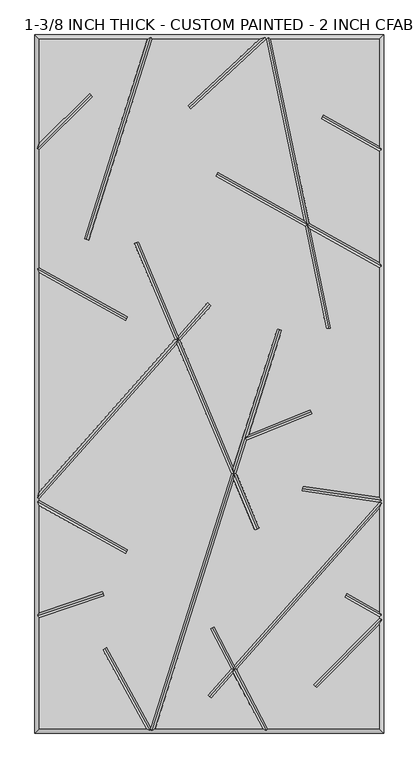
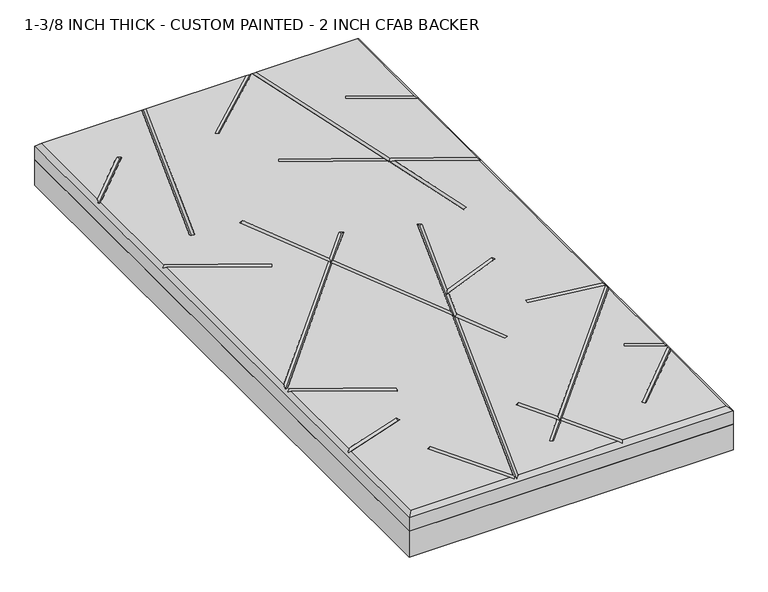
"""IFC4 building model written with IfcOpenShell, lengths in millimetres: proxy geometry, 1-3/8 INCH THICK - CUSTOM PAINTED - 2 INCH CFAB BACKER."""

from ifc_helpers import new_model, si_unit, frame, origin, place, context, project, spatial, polyline, outline, extrude, faceted_brep, source, transform, mapped, element, save


def proxy_1_3_8_inch_thick_custom_painted_2_inch_cfab_backer_8b00ea57(model_context):
    return source(origin(), model_context, "Body", "SolidModel", [
        extrude(outline(polyline([(-304.8, 609.6), (304.8, 609.6), (304.8, -609.6), (-304.8, -609.6), (-304.8, 609.6)])), frame((0.0, 0.0, -50.8), z_axis=(0.0, 0.0, 1.0), x_axis=(1.0, 0.0, 0.0)), (0.0, 0.0, 1.0), 50.8),
        faceted_brep([(-296.799, 601.599, 34.925), (-296.799, 420.0585614, 34.925), (-209.465267, 507.3922944, 34.925), (-203.8077056, 501.734733, 34.925), (-296.799, 408.7434386, 34.925), (-296.799, 203.3118869, 34.925), (-142.5916835, 117.1439143, 34.925), (-146.4945108, 110.1593642, 34.925), (-296.799, 194.1465147, 34.925), (-296.799, -188.1783655, 34.925), (-60.414797, 77.7314881, 34.925), (-130.9100687, 245.4965414, 34.925), (-123.5338229, 248.5960573, 34.925), (-54.5217155, 84.360647, 34.925), (-2.9898999, 142.3290618, 34.925), (2.9898999, 137.0132369, 34.925), (-51.0856167, 76.1833992, 34.925), (41.8198404, -144.9135422, 34.925), (118.4676512, 96.3670459, 34.925), (126.0931354, 93.9446518, 34.925), (68.2308495, -88.200751, 34.925), (176.389257, -44.7967941, 34.925), (179.3690728, -52.2222031, 34.925), (65.0919979, -98.0815805, 34.925), (46.6006106, -156.2908465, 34.925), (86.8913986, -252.1750957, 34.925), (79.5151528, -255.2746116, 34.925), (42.86425, -168.0525821, 34.925), (-94.8608114, -601.599, 34.925), (92.8718763, -601.599, 34.925), (41.9909547, -504.8565668, 34.925), (2.9898999, -548.7290618, 34.925), (-2.9898999, -543.4132369, 34.925), (38.011603, -497.2904271, 34.925), (1.2803392, -427.4514438, 34.925), (8.3616601, -423.7270787, 34.925), (43.691373, -490.9012234, 34.925), (296.799, -206.1791008, 34.925), (161.5180376, -186.5574472, 34.925), (162.66123, -178.6385386, 34.925), (296.799, -198.0029854, 34.925), (296.799, 203.0881131, 34.925), (176.1280645, 270.5166249, 34.925), (212.0312358, 97.6915725, 34.925), (204.1974911, 96.064168, 34.925), (166.8830535, 275.6825527, 34.925), (10.5996532, 363.0105994, 34.925), (14.5024805, 369.9951496, 34.925), (164.7289602, 286.0515892, 34.925), (99.1762375, 601.599, 34.925), (98.8402099, 601.599, 34.925), (-32.7718055, 479.8900914, 34.925), (-38.2040457, 485.7643375, 34.925), (87.055753, 601.599, 34.925), (-99.9441805, 601.599, 34.925), (-211.1838045, 251.4264167, 34.925), (-218.8092886, 253.8488108, 34.925), (-108.3391886, 601.599, 34.925), (101.9119977, -601.599, 34.925), (296.799, -601.599, 34.925), (296.799, -420.1587392, 34.925), (187.3700731, -530.5992999, 34.925), (181.6865411, -524.967829, 34.925), (296.799, -408.7911939, 34.925), (296.799, -406.5118869, 34.925), (236.129826, -372.6111626, 34.925), (240.0326533, -365.6266125, 34.925), (296.799, -397.3465147, 34.925), (296.799, -218.2216345, 34.925), (47.6707247, -498.4673632, 34.925), (173.9739712, 280.8856615, 34.925), (296.799, 212.2534853, 34.925), (296.799, 406.2881131, 34.925), (194.792886, 463.287095, 34.925), (198.6957133, 470.2716451, 34.925), (296.799, 415.4534853, 34.925), (296.799, 601.599, 34.925), (107.3480638, 601.599, 34.925), (38.0834798, -156.6752779, 34.925), (-56.9786982, 69.5542403, 34.925), (-296.799, -200.2208992, 34.925), (-296.799, -203.0881131, 34.925), (-142.5916835, -289.2560857, 34.925), (-146.4945108, -296.2406358, 34.925), (-296.799, -212.2534853, 34.925), (-296.799, -399.4880331, 34.925), (-186.4041101, -362.3555047, 34.925), (-183.8533173, -369.9390037, 34.925), (-296.799, -407.9295192, 34.925), (-296.799, -601.599, 34.925), (-110.5588891, -601.599, 34.925), (-186.2344077, -463.8225395, 34.925), (-179.2216231, -459.970676, 34.925), (-102.5869372, -599.4934169, 34.925), (-304.8, 609.6, 0.0), (304.8, 609.6, 0.0), (304.8, -609.6, 0.0), (-304.8, -609.6, 0.0), (-304.8, -609.6, 26.924), (-304.8, 609.6, 26.924), (304.8, -609.6, 26.924), (304.8, 609.6, 26.924), (-102.8708423, 605.5995, 30.9245), (97.2739907, 605.5995, 30.9245), (102.4310753, 605.5995, 30.9245), (-300.7995, -405.0543881, 30.9245), (-300.7995, -205.4353996, 30.9245), (-300.7995, -198.6998162, 30.9245), (-300.7995, 200.9646004, 30.9245), (-300.7995, 410.4005, 30.9245), (99.4959685, -605.5995, 30.9245), (-100.3291577, -605.5995, 30.9245), (-102.246608, -602.9785071, 33.5454929), (-103.7973268, -605.5995, 30.9245), (300.7995, 408.6353996, 30.9245), (300.7995, 205.4353996, 30.9245), (300.7995, -202.6224783, 30.9245), (300.7995, -207.7001838, 30.9245), (300.7995, -404.1646004, 30.9245), (300.7995, -410.4374833, 30.9245), (-206.6364863, 504.5635137, 30.9245), (-214.9965466, 252.6376137, 30.9245), (-144.5430971, 113.6516392, 30.9245), (12.5510669, 366.5028745, 30.9245), (170.4285124, 278.2841071, 30.9245), (-35.4879256, 482.8272145, 30.9245), (208.1143635, 96.8778703, 30.9245), (196.7442997, 466.77937, 30.9245), (122.2803933, 95.1558489, 30.9245), (42.3420452, -156.4830622, 30.9245), (61.850634, -95.0717351, 30.9245), (83.2032757, -253.7248536, 30.9245), (-127.2219458, 247.0462994, 30.9245), (-55.7502068, 76.9574436, 30.9245), (0.0, 139.6711493, 30.9245), (-185.1287137, -366.1472542, 30.9245), (-144.5430971, -292.7483608, 30.9245), (-182.7280154, -461.8966077, 30.9245), (4.8209997, -425.5892613, 30.9245), (42.8411639, -497.8788951, 30.9245), (184.5283071, -527.7835644, 30.9245), (238.0812397, -369.1188875, 30.9245), (0.0, -546.0711493, 30.9245), (162.0896338, -182.5979929, 30.9245), (177.8791649, -48.5094986, 30.9245)], [[[0, 1, 2, 3, 4, 5, 6, 7, 8, 9, 10, 11, 12, 13, 14, 15, 16, 17, 18, 19, 20, 21, 22, 23, 24, 25, 26, 27, 28, 29, 30, 31, 32, 33, 34, 35, 36, 37, 38, 39, 40, 41, 42, 43, 44, 45, 46, 47, 48, 49, 50, 51, 52, 53, 54, 55, 56, 57]], [[58, 59, 60, 61, 62, 63, 64, 65, 66, 67, 68, 69]], [[70, 71, 72, 73, 74, 75, 76, 77]], [[78, 79, 80, 81, 82, 83, 84, 85, 86, 87, 88, 89, 90, 91, 92, 93]], [[94, 95, 96, 97]], [[94, 97, 98, 99]], [[97, 96, 100, 98]], [[96, 95, 101, 100]], [[95, 94, 99, 101]], [[99, 0, 57, 102, 54, 53, 103, 50, 49, 104, 77, 76, 101]], [[0, 99, 98, 89, 88, 105, 85, 84, 106, 81, 80, 107, 9, 8, 108, 5, 4, 109, 1]], [[89, 98, 100, 59, 58, 110, 29, 28, 111, 112, 113, 90]], [[101, 76, 75, 114, 72, 71, 115, 41, 40, 116, 37, 117, 68, 67, 118, 64, 63, 119, 60, 59, 100]], [[2, 120, 3]], [[120, 2, 1, 109]], [[3, 120, 109, 4]], [[55, 121, 56]], [[121, 55, 54, 102]], [[56, 121, 102, 57]], [[6, 122, 7]], [[122, 6, 5, 108]], [[7, 122, 108, 8]], [[46, 123, 47]], [[41, 115, 124, 42]], [[123, 46, 45, 124]], [[115, 71, 70, 124]], [[47, 123, 124, 48]], [[51, 125, 52]], [[125, 51, 50, 103]], [[52, 125, 103, 53]], [[43, 126, 44]], [[44, 126, 124, 45]], [[124, 104, 49, 48]], [[126, 43, 42, 124]], [[104, 124, 70, 77]], [[73, 127, 74]], [[127, 73, 72, 114]], [[74, 127, 114, 75]], [[18, 128, 19]], [[111, 28, 27, 129]], [[19, 128, 130, 20]], [[129, 24, 23, 130]], [[128, 18, 17, 129, 130]], [[111, 129, 78, 93, 112]], [[25, 131, 26]], [[11, 132, 12]], [[78, 129, 133, 79]], [[26, 131, 129, 27]], [[132, 11, 10, 133]], [[129, 17, 16, 133]], [[131, 25, 24, 129]], [[12, 132, 133, 13]], [[14, 134, 15]], [[134, 14, 13, 133]], [[107, 133, 10, 9]], [[15, 134, 133, 16]], [[133, 107, 80, 79]], [[86, 135, 87]], [[135, 86, 85, 105]], [[87, 135, 105, 88]], [[82, 136, 83]], [[83, 136, 106, 84]], [[136, 82, 81, 106]], [[91, 137, 92]], [[137, 91, 90, 113]], [[92, 137, 113, 112, 93]], [[34, 138, 35]], [[29, 110, 139, 30]], [[138, 34, 33, 139]], [[110, 58, 69, 139]], [[35, 138, 139, 36]], [[61, 140, 62]], [[62, 140, 119, 63]], [[140, 61, 60, 119]], [[65, 141, 66]], [[141, 65, 64, 118]], [[66, 141, 118, 67]], [[31, 142, 32]], [[32, 142, 139, 33]], [[139, 117, 37, 36]], [[142, 31, 30, 139]], [[117, 139, 69, 68]], [[38, 143, 39]], [[143, 38, 37, 116]], [[39, 143, 116, 40]], [[21, 144, 22]], [[144, 21, 20, 130]], [[22, 144, 130, 23]]]),
    ])


if __name__ == "__main__":
    model = new_model("IFC4")
    model_context = context("Model", 3, world=origin())
    ifc_project = project(units=[si_unit("LENGTHUNIT", "METRE", prefix="MILLI")], contexts=[model_context])
    site = spatial("IfcSite", under=ifc_project)
    building = spatial("IfcBuilding", under=site)
    placement = place(None, origin())
    proxy_1_3_8_inch_thick_custom_painted_2_inch_cfab_backer_shape = proxy_1_3_8_inch_thick_custom_painted_2_inch_cfab_backer_8b00ea57(model_context)
    element("IfcBuildingElementProxy", 1, Name="1-3/8 INCH THICK - CUSTOM PAINTED - 2 INCH CFAB BACKER", ObjectType="1-3/8 INCH THICK - CUSTOM PAINTED - 2 INCH CFAB BACKER", at=placement, inside=building, context=model_context, shape_type="MappedRepresentation", body=[
        mapped(proxy_1_3_8_inch_thick_custom_painted_2_inch_cfab_backer_shape, transform((0.0, 0.0, 0.0), x_axis=(1.0, 0.0, 0.0), y_axis=(0.0, 1.0, 0.0), z_axis=(0.0, 0.0, 1.0))),
    ])
    save(model, "model.ifc")
